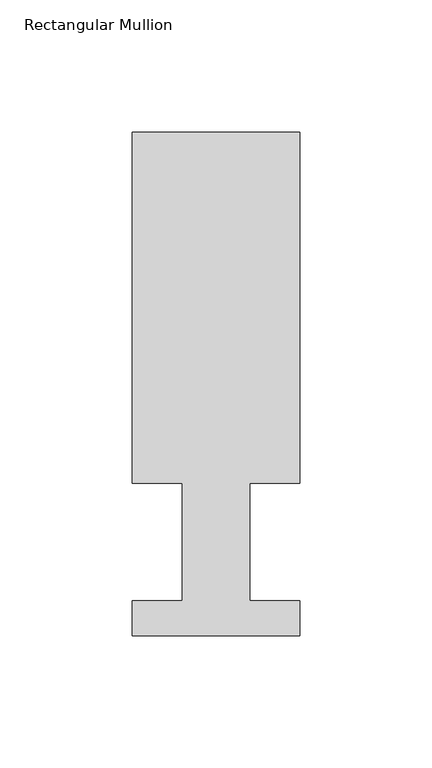
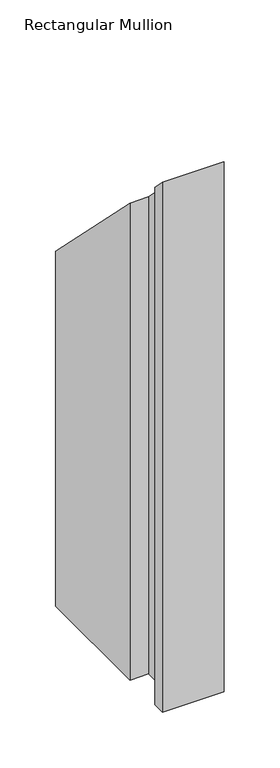
"""IFC4 building model written with IfcOpenShell, lengths in millimetres: member geometry, Rectangular Mullion."""

import ifcopenshell
import ifcopenshell.guid

model = None  # the IFC model being written
_history = None  # IfcOwnerHistory: only IFC2X3 demands one
_inside = {}  # id of a spatial element -> (the spatial element, [elements in it])
_under = {}  # id of a project, library or spatial element -> (it, [spatial elements below it])
_declared = {}  # id of a project -> (the project, [libraries it declares])
_typed = {}  # id of a type object -> (the type object, [elements of that type])
_made_of = {}  # id of a material, layer set ... -> (it, [elements and type objects made of it])


def new_model(schema):
    """Start an empty IFC model of exactly this schema.

    Asked for "IFC4X3", IfcOpenShell would pick the latest addendum, in which some entities
    have other attributes; the version numbers below select the first issue.
    IFC2X3 requires an IfcOwnerHistory on every rooted entity: one is made here for all.
    """
    global model, _history
    if schema == "IFC4X3":
        model = ifcopenshell.file(schema_version=(4, 3, 0, 0))
    else:
        model = ifcopenshell.file(schema=schema)
    _inside.clear()
    _under.clear()
    _declared.clear()
    _typed.clear()
    _made_of.clear()
    _history = None
    if model.schema == "IFC2X3":
        org = make("IfcOrganization", Name="unknown")
        user = make(
            "IfcPersonAndOrganization",
            ThePerson=make("IfcPerson", FamilyName="unknown"),
            TheOrganization=org,
        )
        app = make(
            "IfcApplication",
            ApplicationDeveloper=org,
            Version="unknown",
            ApplicationFullName="unknown",
            ApplicationIdentifier="unknown",
        )
        _history = make(
            "IfcOwnerHistory",
            OwningUser=user,
            OwningApplication=app,
            ChangeAction="ADDED",
            CreationDate=0,
        )
    return model


def make(cls, **values):
    """One entity of the class cls with the attributes given. An attribute that is None is left unset."""
    return model.create_entity(
        cls, **{name: value for name, value in values.items() if value is not None}
    )


def rooted(cls, **values):
    """An entity with a GlobalId (a new one), such as an element, a storey or a relation."""
    return make(cls, GlobalId=ifcopenshell.guid.new(), OwnerHistory=_history, **values)


def si_unit(unit_type, name, prefix=None):
    """IfcSIUnit, for example si_unit("LENGTHUNIT", "METRE", prefix="MILLI")."""
    return make("IfcSIUnit", UnitType=unit_type, Prefix=prefix, Name=name)


def assignment(units):
    """IfcUnitAssignment: the units of a project."""
    return None if units is None else make("IfcUnitAssignment", Units=units)


def point(xyz):
    """IfcCartesianPoint."""
    return None if xyz is None else make("IfcCartesianPoint", Coordinates=xyz)


def direction(xyz):
    """IfcDirection."""
    return None if xyz is None else make("IfcDirection", DirectionRatios=xyz)


def frame(location, z_axis=None, x_axis=None):
    """IfcAxis2Placement3D, a coordinate frame: its origin and axes. An axis left out is left unset."""
    return make(
        "IfcAxis2Placement3D",
        Location=point(location),
        Axis=direction(z_axis),
        RefDirection=direction(x_axis),
    )


def origin():
    """The frame at (0, 0, 0) with its axes left unset."""
    return frame((0.0, 0.0, 0.0))


def place(relative_to, where):
    """IfcLocalPlacement: puts the frame where relative to a parent placement (None: the world)."""
    return make(
        "IfcLocalPlacement", PlacementRelTo=relative_to, RelativePlacement=where
    )


def context(
    kind, dimensions, precision=None, world=None, true_north=None, identifier=None
):
    """IfcGeometricRepresentationContext, for example the 3D "Model" context."""
    return make(
        "IfcGeometricRepresentationContext",
        ContextIdentifier=identifier,
        ContextType=kind,
        CoordinateSpaceDimension=dimensions,
        Precision=precision,
        WorldCoordinateSystem=world,
        TrueNorth=true_north,
    )


def project(units=None, contexts=None):
    """IfcProject with its units and contexts."""
    return rooted(
        "IfcProject",
        Name="project",
        RepresentationContexts=contexts,
        UnitsInContext=assignment(units),
    )


def spatial(cls, under=None, at=None, **own):
    """A site, building, storey or space (cls), placed at a placement, below another one or the project."""
    s = rooted(cls, ObjectPlacement=at, **own)
    if under is not None:
        _under.setdefault(under.id(), (under, []))[1].append(s)
    return s


def faces_of(points, faces, orient=None, outer=None):
    """IfcFace entities. A face is a list of loops; a loop is a list of indices into points, from 0.

    orient and outer hold one flag for each loop. By default every Orientation is true, the
    first loop of a face is its IfcFaceOuterBound and the others are IfcFaceBound.
    """
    made = []
    for i, loops in enumerate(faces):
        bounds = []
        for j, loop in enumerate(loops):
            is_outer = j == 0 if outer is None else outer[i][j]
            bounds.append(
                make(
                    "IfcFaceOuterBound" if is_outer else "IfcFaceBound",
                    Bound=make("IfcPolyLoop", Polygon=[points[k] for k in loop]),
                    Orientation=True if orient is None else orient[i][j],
                )
            )
        made.append(make("IfcFace", Bounds=bounds))
    return made


def faceted_brep(points, faces, orient=None, outer=None, voids=None):
    """IfcFacetedBrep: a solid bounded by flat faces; with voids (closed shells), ...WithVoids."""
    shared = [point(p) for p in points]
    hull = make("IfcClosedShell", CfsFaces=faces_of(shared, faces, orient, outer))
    if voids is None:
        return make("IfcFacetedBrep", Outer=hull)
    return make(
        "IfcFacetedBrepWithVoids",
        Outer=hull,
        Voids=[
            make(cls, CfsFaces=faces_of(shared, fs, o, b)) for cls, fs, o, b in voids
        ],
    )


def shape(context_of_items, identifier, shape_type, items):
    """IfcShapeRepresentation: the items that make up one representation, for example the "Body"."""
    return make(
        "IfcShapeRepresentation",
        ContextOfItems=context_of_items,
        RepresentationIdentifier=identifier,
        RepresentationType=shape_type,
        Items=items,
    )


def source(mapping_origin, context_of_items, identifier, shape_type, items):
    """IfcRepresentationMap: a shape defined once, which mapped items show again and again."""
    return make(
        "IfcRepresentationMap",
        MappingOrigin=mapping_origin,
        MappedRepresentation=shape(context_of_items, identifier, shape_type, items),
    )


def transform(
    local_origin,
    x_axis=None,
    y_axis=None,
    z_axis=None,
    scale=None,
    scale2=None,
    scale3=None,
    uniform=True,
):
    """IfcCartesianTransformationOperator3D, or its non-uniform kind. x_axis, y_axis, z_axis: its Axis1, 2, 3."""
    if uniform:
        return make(
            "IfcCartesianTransformationOperator3D",
            Axis1=direction(x_axis),
            Axis2=direction(y_axis),
            LocalOrigin=point(local_origin),
            Scale=scale,
            Axis3=direction(z_axis),
        )
    return make(
        "IfcCartesianTransformationOperator3DnonUniform",
        Axis1=direction(x_axis),
        Axis2=direction(y_axis),
        LocalOrigin=point(local_origin),
        Scale=scale,
        Axis3=direction(z_axis),
        Scale2=scale2,
        Scale3=scale3,
    )


def mapped(mapping_source, mapping_target):
    """IfcMappedItem: shows the shape of a source again, moved by a transform."""
    return make(
        "IfcMappedItem", MappingSource=mapping_source, MappingTarget=mapping_target
    )


def made_of(thing, what):
    """Note that an element or type object is made of a material, layer set ...; save() writes the relation."""
    if what is not None:
        _made_of.setdefault(what.id(), (what, []))[1].append(thing)
    return thing


def element(
    cls,
    number,
    at=None,
    inside=None,
    cuts=None,
    type_object=None,
    material=None,
    context=None,
    identifier="Body",
    shape_type=None,
    held_by="IfcProductDefinitionShape",
    body=None,
    shapes=None,
    **own,
):
    """One element of the class cls, such as IfcWall. Its Tag is "e" and its number.

    at: its placement. inside: the storey or other place that contains it. cuts: it is an
    opening in that element (IfcRelVoidsElement). A single representation is given by context,
    identifier, shape_type and body (its items); several are given by shapes. held_by: the class
    of the entity that holds the representations. save() writes the other relations.
    """
    e = rooted(cls, Tag="e%d" % number, ObjectPlacement=at, **own)
    if body is not None:
        shapes = [shape(context, identifier, shape_type, body)]
    if shapes is not None:
        e.Representation = make(held_by, Representations=shapes)
    if inside is not None:
        _inside.setdefault(inside.id(), (inside, []))[1].append(e)
    if cuts is not None:
        rooted(
            "IfcRelVoidsElement", RelatingBuildingElement=cuts, RelatedOpeningElement=e
        )
    if type_object is not None:
        _typed.setdefault(type_object.id(), (type_object, []))[1].append(e)
    return made_of(e, material)


def aggregate(whole, parts):
    """IfcRelAggregates: a whole, such as a stair, and the parts it consists of."""
    return rooted("IfcRelAggregates", RelatingObject=whole, RelatedObjects=parts)


def save(model, path):
    """Write the relations noted so far, then the file.

    IfcRelAggregates (storeys below a building ...), IfcRelContainedInSpatialStructure (elements
    in a storey), IfcRelDefinesByType, IfcRelAssociatesMaterial and IfcRelDeclares: one each for
    every whole, place, type object, material and project.
    """
    for whole, parts in _under.values():
        aggregate(whole, parts)
    for where, things in _inside.values():
        rooted(
            "IfcRelContainedInSpatialStructure",
            RelatedElements=things,
            RelatingStructure=where,
        )
    for kind, things in _typed.values():
        rooted("IfcRelDefinesByType", RelatedObjects=things, RelatingType=kind)
    for what, things in _made_of.values():
        rooted("IfcRelAssociatesMaterial", RelatedObjects=things, RelatingMaterial=what)
    for by, libraries in _declared.values():
        rooted("IfcRelDeclares", RelatingContext=by, RelatedDefinitions=libraries)
    model.write(path)


def rectangular_mullion_3ad13dfc(model_context):
    return source(origin(), model_context, "Body", "Brep", [
        faceted_brep([(-63.5, 190.5896937, -577.85), (0.0, 190.5896937, -577.85), (0.0, 57.6460937, -577.85), (-19.0373, 57.6460937, -577.85), (-19.0373, 13.1960937, -577.85), (0.0, 13.1960937, -577.85), (0.0, 0.0134937, -577.85), (-63.5, 0.0134937, -577.85), (-63.5, 13.1960937, -577.85), (-44.45, 13.1960937, -577.85), (-44.45, 57.6460937, -577.85), (-63.5, 57.6460937, -577.85), (-63.5, 57.6460937, -57.6460937), (-63.5, 190.5896937, -190.5896937), (-44.45, 57.6460937, -57.6460937), (-44.45, 13.1960937, -13.1960937), (-63.5, 13.1960937, -13.1960937), (-63.5, 0.0134937, -0.0134937), (0.0, 0.0134937, -0.0134937), (0.0, 13.1960937, -13.1960937), (-19.0373, 13.1960937, -13.1960937), (-19.0373, 57.6460937, -57.6460937), (0.0, 57.6460937, -57.6460937), (0.0, 190.5896937, -190.5896937)], [[[0, 1, 2, 3, 4, 5, 6, 7, 8, 9, 10, 11]], [[12, 13, 0, 11]], [[14, 12, 11, 10]], [[15, 14, 10, 9]], [[16, 15, 9, 8]], [[17, 16, 8, 7]], [[18, 17, 7, 6]], [[19, 18, 6, 5]], [[20, 19, 5, 4]], [[21, 20, 4, 3]], [[22, 21, 3, 2]], [[23, 22, 2, 1]], [[13, 23, 1, 0]], [[13, 12, 14, 15, 16, 17, 18, 19, 20, 21, 22, 23]]]),
    ])


if __name__ == "__main__":
    model = new_model("IFC4")
    model_context = context("Model", 3, world=origin())
    ifc_project = project(units=[si_unit("LENGTHUNIT", "METRE", prefix="MILLI")], contexts=[model_context])
    site = spatial("IfcSite", under=ifc_project)
    building = spatial("IfcBuilding", under=site)
    placement = place(None, origin())
    rectangular_mullion_shape = rectangular_mullion_3ad13dfc(model_context)
    element("IfcMember", 1, ObjectType="Rectangular Mullion", at=placement, inside=building, context=model_context, shape_type="MappedRepresentation", body=[
        mapped(rectangular_mullion_shape, transform((0.0, 0.0, 0.0), x_axis=(1.0, 0.0, 0.0), y_axis=(0.0, 1.0, 0.0), z_axis=(0.0, 0.0, 1.0))),
    ])
    save(model, "model.ifc")
